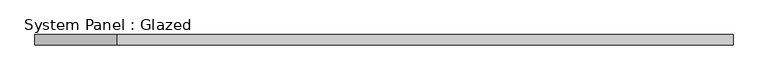
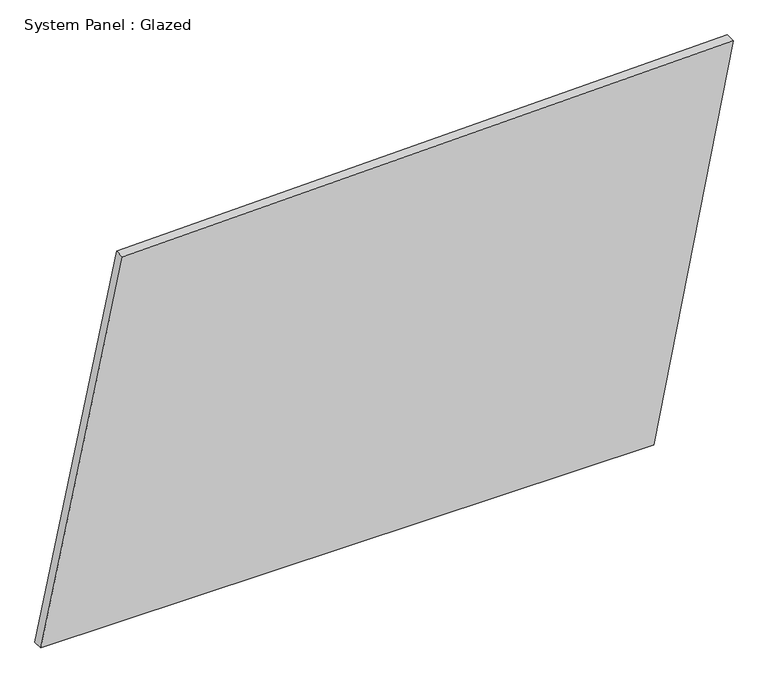
"""IFC4 building model written with IfcOpenShell, lengths in millimetres: plate geometry, System Panel : Glazed."""

from ifc_helpers import new_model, si_unit, frame, origin, place, context, project, spatial, polyline, outline, extrude, source, transform, mapped, element, save


def system_panel_glazed_8497136b(model_context):
    return source(origin(), model_context, "Body", "SweptSolid", [
        extrude(outline(polyline([(0.0, -850.4506962), (0.0, 655.9967883), (983.0739733, 850.4506962), (946.2892276, -649.8894903), (0.0, -850.4506962)])), frame((0.0, -49.5, 0.0), z_axis=(0.0, 1.0, 0.0), x_axis=(0.0, 0.0, 1.0)), (0.0, 0.0, 1.0), 25.0),
    ])


if __name__ == "__main__":
    model = new_model("IFC4")
    model_context = context("Model", 3, world=origin())
    ifc_project = project(units=[si_unit("LENGTHUNIT", "METRE", prefix="MILLI")], contexts=[model_context])
    site = spatial("IfcSite", under=ifc_project)
    building = spatial("IfcBuilding", under=site)
    placement = place(None, origin())
    system_panel_glazed_shape = system_panel_glazed_8497136b(model_context)
    element("IfcPlate", 1, ObjectType="System Panel : Glazed", at=placement, inside=building, context=model_context, shape_type="MappedRepresentation", body=[
        mapped(system_panel_glazed_shape, transform((0.0, 0.0, 0.0), x_axis=(1.0, 0.0, 0.0), y_axis=(0.0, 1.0, 0.0), z_axis=(0.0, 0.0, 1.0))),
    ])
    save(model, "model.ifc")
